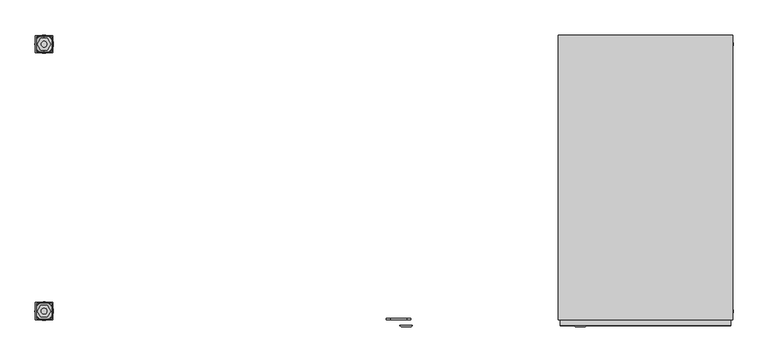
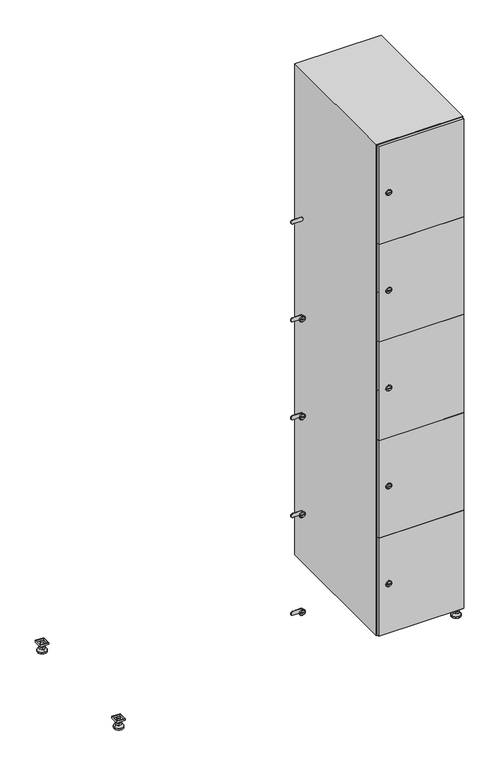
"""IFC4 building model written with IfcOpenShell, lengths in millimetres: furniture geometry."""

from ifc_helpers import new_model, si_unit, point, frame, frame_2d, origin, origin_with_axes, place, context, project, spatial, polyline, circle_curve, trimmed, segment, composite_curve, outline, extrude, faceted_brep, source, transform, mapped, element, save
from ifc_brep_helpers import plane_surface, revolved_surface, advanced_brep


def furniture_93017f4d(model_context):
    return source(origin(), model_context, "Body", "SolidModel", [
        extrude(outline(polyline([(1000.0, 245.0), (1000.0, 215.0), (970.0, 215.0), (970.0, 245.0), (1000.0, 245.0)]), holes=[polyline([(998.0, 243.0), (972.0, 243.0), (972.0, 217.0), (998.0, 217.0), (998.0, 243.0)])]), frame((0.0, 0.0, 28.5), z_axis=(0.0, 0.0, 1.0), x_axis=(1.0, 0.0, 0.0)), (0.0, 0.0, 1.0), 6.5),
        extrude(outline(polyline([(970.0, -245.0), (970.0, -215.0), (1000.0, -215.0), (1000.0, -245.0), (970.0, -245.0)]), holes=[polyline([(972.0, -243.0), (998.0, -243.0), (998.0, -217.0), (972.0, -217.0), (972.0, -243.0)])]), frame((0.0, 0.0, 28.5), z_axis=(0.0, 0.0, 1.0), x_axis=(1.0, 0.0, 0.0)), (0.0, 0.0, 1.0), 6.5),
        extrude(outline(polyline([(-170.0, 245.0), (-170.0, 215.0), (-200.0, 215.0), (-200.0, 245.0), (-170.0, 245.0)]), holes=[polyline([(-172.0, 243.0), (-198.0, 243.0), (-198.0, 217.0), (-172.0, 217.0), (-172.0, 243.0)])]), frame((0.0, 0.0, 28.5), z_axis=(0.0, 0.0, 1.0), x_axis=(1.0, 0.0, 0.0)), (0.0, 0.0, 1.0), 6.5),
        extrude(outline(polyline([(-170.0, -215.0), (-170.0, -245.0), (-200.0, -245.0), (-200.0, -215.0), (-170.0, -215.0)]), holes=[polyline([(-198.0, -243.0), (-172.0, -243.0), (-172.0, -217.0), (-198.0, -217.0), (-198.0, -243.0)])]), frame((0.0, 0.0, 28.5), z_axis=(0.0, 0.0, 1.0), x_axis=(1.0, 0.0, 0.0)), (0.0, 0.0, 1.0), 6.5),
        extrude(outline(composite_curve([segment(trimmed(circle_curve(frame_2d((-185.0, 230.0)), 5.0), [point((-180.0, 230.0))], [point((-190.0, 230.0))], False, "CARTESIAN"), True, "CONTINUOUS"), segment(trimmed(circle_curve(frame_2d((-185.0, 230.0)), 5.0), [point((-190.0, 230.0))], [point((-180.0, 230.0))], False, "CARTESIAN"), True, "CONTINUOUS")], self_intersect=False)), frame((0.0, 0.0, 19.6), z_axis=(0.0, 0.0, 1.0), x_axis=(1.0, 0.0, 0.0)), (0.0, 0.0, 1.0), 15.4),
        extrude(outline(composite_curve([segment(trimmed(circle_curve(frame_2d((-185.0, -230.0)), 5.0), [point((-180.0, -230.0))], [point((-190.0, -230.0))], False, "CARTESIAN"), True, "CONTINUOUS"), segment(trimmed(circle_curve(frame_2d((-185.0, -230.0)), 5.0), [point((-190.0, -230.0))], [point((-180.0, -230.0))], False, "CARTESIAN"), True, "CONTINUOUS")], self_intersect=False)), frame((0.0, 0.0, 19.6), z_axis=(0.0, 0.0, 1.0), x_axis=(1.0, 0.0, 0.0)), (0.0, 0.0, 1.0), 15.4),
        extrude(outline(composite_curve([segment(trimmed(circle_curve(frame_2d((985.0, 230.0)), 5.0), [point((990.0, 230.0))], [point((980.0, 230.0))], False, "CARTESIAN"), True, "CONTINUOUS"), segment(trimmed(circle_curve(frame_2d((985.0, 230.0)), 5.0), [point((980.0, 230.0))], [point((990.0, 230.0))], False, "CARTESIAN"), True, "CONTINUOUS")], self_intersect=False)), frame((0.0, 0.0, 19.6), z_axis=(0.0, 0.0, 1.0), x_axis=(1.0, 0.0, 0.0)), (0.0, 0.0, 1.0), 15.4),
        extrude(outline(polyline([(973.4529946, 230.0), (979.2264973, 240.0), (990.7735027, 240.0), (996.5470054, 230.0), (990.7735027, 220.0), (979.2264973, 220.0), (973.4529946, 230.0)])), frame((0.0, 0.0, 13.6), z_axis=(0.0, 0.0, 1.0), x_axis=(1.0, 0.0, 0.0)), (0.0, 0.0, 1.0), 6.0),
        extrude(outline(composite_curve([segment(trimmed(circle_curve(frame_2d((985.0, -230.0)), 5.0), [point((990.0, -230.0))], [point((980.0, -230.0))], False, "CARTESIAN"), True, "CONTINUOUS"), segment(trimmed(circle_curve(frame_2d((985.0, -230.0)), 5.0), [point((980.0, -230.0))], [point((990.0, -230.0))], False, "CARTESIAN"), True, "CONTINUOUS")], self_intersect=False)), frame((0.0, 0.0, 19.6), z_axis=(0.0, 0.0, 1.0), x_axis=(1.0, 0.0, 0.0)), (0.0, 0.0, 1.0), 15.4),
        extrude(outline(polyline([(973.4529946, -230.0), (979.2264973, -220.0), (990.7735027, -220.0), (996.5470054, -230.0), (990.7735027, -240.0), (979.2264973, -240.0), (973.4529946, -230.0)])), frame((0.0, 0.0, 13.6), z_axis=(0.0, 0.0, 1.0), x_axis=(1.0, 0.0, 0.0)), (0.0, 0.0, 1.0), 6.0),
        extrude(outline(composite_curve([segment(trimmed(circle_curve(frame_2d((985.0, 230.0)), 5.0), [point((990.0, 230.0))], [point((980.0, 230.0))], False, "CARTESIAN"), True, "CONTINUOUS"), segment(trimmed(circle_curve(frame_2d((985.0, 230.0)), 5.0), [point((980.0, 230.0))], [point((990.0, 230.0))], False, "CARTESIAN"), True, "CONTINUOUS")], self_intersect=False)), frame((0.0, 0.0, 12.1), z_axis=(0.0, 0.0, 1.0), x_axis=(1.0, 0.0, 0.0)), (0.0, 0.0, 1.0), 1.5),
        extrude(outline(composite_curve([segment(trimmed(circle_curve(frame_2d((985.0, -230.0)), 5.0), [point((990.0, -230.0))], [point((980.0, -230.0))], False, "CARTESIAN"), True, "CONTINUOUS"), segment(trimmed(circle_curve(frame_2d((985.0, -230.0)), 5.0), [point((980.0, -230.0))], [point((990.0, -230.0))], False, "CARTESIAN"), True, "CONTINUOUS")], self_intersect=False)), frame((0.0, 0.0, 12.1), z_axis=(0.0, 0.0, 1.0), x_axis=(1.0, 0.0, 0.0)), (0.0, 0.0, 1.0), 1.5),
        extrude(outline(polyline([(-196.5470054, 230.0), (-190.7735027, 240.0), (-179.2264973, 240.0), (-173.4529946, 230.0), (-179.2264973, 220.0), (-190.7735027, 220.0), (-196.5470054, 230.0)])), frame((0.0, 0.0, 13.6), z_axis=(0.0, 0.0, 1.0), x_axis=(1.0, 0.0, 0.0)), (0.0, 0.0, 1.0), 6.0),
        extrude(outline(polyline([(-196.5470054, -230.0), (-190.7735027, -220.0), (-179.2264973, -220.0), (-173.4529946, -230.0), (-179.2264973, -240.0), (-190.7735027, -240.0), (-196.5470054, -230.0)])), frame((0.0, 0.0, 13.6), z_axis=(0.0, 0.0, 1.0), x_axis=(1.0, 0.0, 0.0)), (0.0, 0.0, 1.0), 6.0),
        extrude(outline(composite_curve([segment(trimmed(circle_curve(frame_2d((-185.0, 230.0)), 5.0), [point((-185.0, 235.0))], [point((-185.0, 225.0))], False, "CARTESIAN"), True, "CONTINUOUS"), segment(trimmed(circle_curve(frame_2d((-185.0, 230.0)), 5.0), [point((-185.0, 225.0))], [point((-185.0, 235.0))], False, "CARTESIAN"), True, "CONTINUOUS")], self_intersect=False)), frame((0.0, 0.0, 12.1), z_axis=(0.0, 0.0, 1.0), x_axis=(1.0, 0.0, 0.0)), (0.0, 0.0, 1.0), 1.5),
        extrude(outline(composite_curve([segment(trimmed(circle_curve(frame_2d((-185.0, -230.0)), 5.0), [point((-180.0, -230.0))], [point((-190.0, -230.0))], False, "CARTESIAN"), True, "CONTINUOUS"), segment(trimmed(circle_curve(frame_2d((-185.0, -230.0)), 5.0), [point((-190.0, -230.0))], [point((-180.0, -230.0))], False, "CARTESIAN"), True, "CONTINUOUS")], self_intersect=False)), frame((0.0, 0.0, 12.1), z_axis=(0.0, 0.0, 1.0), x_axis=(1.0, 0.0, 0.0)), (0.0, 0.0, 1.0), 1.5),
        extrude(outline(composite_curve([segment(trimmed(circle_curve(frame_2d((985.0, 230.0)), 15.75), [point((1000.75, 230.0))], [point((969.25, 230.0))], False, "CARTESIAN"), True, "CONTINUOUS"), segment(trimmed(circle_curve(frame_2d((985.0, 230.0)), 15.75), [point((969.25, 230.0))], [point((1000.75, 230.0))], False, "CARTESIAN"), True, "CONTINUOUS")], self_intersect=False)), origin_with_axes(), (0.0, 0.0, 1.0), 5.1),
        extrude(outline(composite_curve([segment(trimmed(circle_curve(frame_2d((985.0, -230.0)), 15.75), [point((985.0, -214.25))], [point((985.0, -245.75))], False, "CARTESIAN"), True, "CONTINUOUS"), segment(trimmed(circle_curve(frame_2d((985.0, -230.0)), 15.75), [point((985.0, -245.75))], [point((985.0, -214.25))], False, "CARTESIAN"), True, "CONTINUOUS")], self_intersect=False)), origin_with_axes(), (0.0, 0.0, 1.0), 5.1),
        extrude(outline(composite_curve([segment(trimmed(circle_curve(frame_2d((-185.0, -230.0)), 15.75), [point((-169.25, -230.0))], [point((-200.75, -230.0))], False, "CARTESIAN"), True, "CONTINUOUS"), segment(trimmed(circle_curve(frame_2d((-185.0, -230.0)), 15.75), [point((-200.75, -230.0))], [point((-169.25, -230.0))], False, "CARTESIAN"), True, "CONTINUOUS")], self_intersect=False)), origin_with_axes(), (0.0, 0.0, 1.0), 5.1),
        extrude(outline(composite_curve([segment(trimmed(circle_curve(frame_2d((-185.0, 230.0)), 15.75), [point((-169.25, 230.0))], [point((-200.75, 230.0))], False, "CARTESIAN"), True, "CONTINUOUS"), segment(trimmed(circle_curve(frame_2d((-185.0, 230.0)), 15.75), [point((-200.75, 230.0))], [point((-169.25, 230.0))], False, "CARTESIAN"), True, "CONTINUOUS")], self_intersect=False)), origin_with_axes(), (0.0, 0.0, 1.0), 5.1),
        advanced_brep(
        [(-185.0, 239.5, 12.1), (-185.0, 220.5, 12.1), (-185.0, 214.25, 5.1), (-185.0, 245.75, 5.1)],
        [
            (0, 1, circle_curve(frame((-185.0, 230.0, 12.1), z_axis=(0.0, 0.0, -1.0), x_axis=(0.0, 1.0, 0.0)), 9.5)),
            (1, 2),
            (2, 3, circle_curve(frame((-185.0, 230.0, 5.1), z_axis=(0.0, 0.0, 1.0), x_axis=(0.0, 1.0, 0.0)), 15.75)),
            (3, 0),
            (1, 0, circle_curve(frame((-185.0, 230.0, 12.1), z_axis=(0.0, 0.0, -1.0), x_axis=(0.0, -1.0, 0.0)), 9.5)),
            (3, 2, circle_curve(frame((-185.0, 230.0, 5.1), z_axis=(0.0, 0.0, 1.0), x_axis=(0.0, -1.0, 0.0)), 15.75)),
        ],
        [
            revolved_surface(polyline([(-185.0, 220.5, 12.099999999999998), (-185.0, 214.25, 5.099999999999998)]), (-185.0, 230.0, 22.74), (0.0, 0.0, -1.0)),
            revolved_surface(polyline([(-185.0, 239.5, 12.099999999999998), (-185.0, 245.75, 5.099999999999998)]), (-185.0, 230.0, 22.74), (0.0, 0.0, -1.0)),
            plane_surface(frame((-185.0, 230.0, 5.1), z_axis=(0.0, 0.0, -1.0), x_axis=(1.0, 0.0, 0.0))),
            plane_surface(frame((-185.0, 230.0, 12.1), z_axis=(0.0, 0.0, 1.0), x_axis=(1.0, 0.0, 0.0))),
        ],
        [
            (0, [[1, 2, 3, 4]]),
            (1, [[5, -4, 6, -2]]),
            (2, [[-3, -6]]),
            (3, [[-5, -1]]),
        ],
    ),
        advanced_brep(
        [(985.0, 239.5, 12.1), (985.0, 220.5, 12.1), (985.0, 214.25, 5.1), (985.0, 245.75, 5.1)],
        [
            (0, 1, circle_curve(frame((985.0, 230.0, 12.1), z_axis=(0.0, 0.0, -1.0), x_axis=(0.0, 1.0, 0.0)), 9.5)),
            (1, 2),
            (2, 3, circle_curve(frame((985.0, 230.0, 5.1), z_axis=(0.0, 0.0, 1.0), x_axis=(0.0, 1.0, 0.0)), 15.75)),
            (3, 0),
            (1, 0, circle_curve(frame((985.0, 230.0, 12.1), z_axis=(0.0, 0.0, -1.0), x_axis=(0.0, -1.0, 0.0)), 9.5)),
            (3, 2, circle_curve(frame((985.0, 230.0, 5.1), z_axis=(0.0, 0.0, 1.0), x_axis=(0.0, -1.0, 0.0)), 15.75)),
        ],
        [
            revolved_surface(polyline([(985.0, 220.5, 12.099999999999998), (985.0, 214.25, 5.099999999999998)]), (985.0, 230.0, 22.74), (0.0, 0.0, -1.0)),
            revolved_surface(polyline([(985.0, 239.5, 12.099999999999998), (985.0, 245.75, 5.099999999999998)]), (985.0, 230.0, 22.74), (0.0, 0.0, -1.0)),
            plane_surface(frame((985.0, 230.0, 5.1), z_axis=(0.0, 0.0, -1.0), x_axis=(1.0, 0.0, 0.0))),
            plane_surface(frame((985.0, 230.0, 12.1), z_axis=(0.0, 0.0, 1.0), x_axis=(1.0, 0.0, 0.0))),
        ],
        [
            (0, [[1, 2, 3, 4]]),
            (1, [[5, -4, 6, -2]]),
            (2, [[-3, -6]]),
            (3, [[-5, -1]]),
        ],
    ),
        advanced_brep(
        [(1000.75, -230.0, 5.1), (969.25, -230.0, 5.1), (975.5, -230.0, 12.1), (994.5, -230.0, 12.1)],
        [
            (0, 1, circle_curve(frame((985.0, -230.0, 5.1), z_axis=(0.0, 0.0, 1.0), x_axis=(1.0, 0.0, 0.0)), 15.75)),
            (1, 2),
            (2, 3, circle_curve(frame((985.0, -230.0, 12.1), z_axis=(0.0, 0.0, -1.0), x_axis=(1.0, 0.0, 0.0)), 9.5)),
            (3, 0),
            (1, 0, circle_curve(frame((985.0, -230.0, 5.1), z_axis=(0.0, 0.0, 1.0), x_axis=(-1.0, 0.0, 0.0)), 15.75)),
            (3, 2, circle_curve(frame((985.0, -230.0, 12.1), z_axis=(0.0, 0.0, -1.0), x_axis=(-1.0, 0.0, 0.0)), 9.5)),
        ],
        [
            revolved_surface(polyline([(994.5, -230.0, 12.099999999999998), (1000.75, -230.0, 5.099999999999998)]), (985.0, -230.0, 22.74), (0.0, 0.0, -1.0)),
            revolved_surface(polyline([(975.5, -230.0, 12.099999999999998), (969.25, -230.0, 5.099999999999998)]), (985.0, -230.0, 22.74), (0.0, 0.0, -1.0)),
            plane_surface(frame((985.0, -230.0, 12.1), z_axis=(0.0, 0.0, 1.0), x_axis=(0.0, 1.0, 0.0))),
            plane_surface(frame((985.0, -230.0, 5.1), z_axis=(0.0, 0.0, -1.0), x_axis=(0.0, 1.0, 0.0))),
        ],
        [
            (0, [[1, 2, 3, 4]]),
            (1, [[5, -4, 6, -2]]),
            (2, [[-3, -6]]),
            (3, [[-5, -1]]),
        ],
    ),
        advanced_brep(
        [(-169.25, -230.0, 5.1), (-200.75, -230.0, 5.1), (-194.5, -230.0, 12.1), (-175.5, -230.0, 12.1)],
        [
            (0, 1, circle_curve(frame((-185.0, -230.0, 5.1), z_axis=(0.0, 0.0, 1.0), x_axis=(1.0, 0.0, 0.0)), 15.75)),
            (1, 2),
            (2, 3, circle_curve(frame((-185.0, -230.0, 12.1), z_axis=(0.0, 0.0, -1.0), x_axis=(1.0, 0.0, 0.0)), 9.5)),
            (3, 0),
            (1, 0, circle_curve(frame((-185.0, -230.0, 5.1), z_axis=(0.0, 0.0, 1.0), x_axis=(-1.0, 0.0, 0.0)), 15.75)),
            (3, 2, circle_curve(frame((-185.0, -230.0, 12.1), z_axis=(0.0, 0.0, -1.0), x_axis=(-1.0, 0.0, 0.0)), 9.5)),
        ],
        [
            revolved_surface(polyline([(-175.5, -230.0, 12.099999999999998), (-169.25, -230.0, 5.099999999999998)]), (-185.0, -230.0, 22.74), (0.0, 0.0, -1.0)),
            revolved_surface(polyline([(-194.5, -230.0, 12.099999999999998), (-200.75, -230.0, 5.099999999999998)]), (-185.0, -230.0, 22.74), (0.0, 0.0, -1.0)),
            plane_surface(frame((-185.0, -230.0, 12.1), z_axis=(0.0, 0.0, 1.0), x_axis=(0.0, 1.0, 0.0))),
            plane_surface(frame((-185.0, -230.0, 5.1), z_axis=(0.0, 0.0, -1.0), x_axis=(0.0, 1.0, 0.0))),
        ],
        [
            (0, [[1, 2, 3, 4]]),
            (1, [[5, -4, 6, -2]]),
            (2, [[-3, -6]]),
            (3, [[-5, -1]]),
        ],
    ),
        extrude(outline(composite_curve([segment(trimmed(circle_curve(frame_2d((217.4, 711.2010534)), 7.0), [point((224.4, 711.2010534))], [point((210.4, 711.2010534))], False, "CARTESIAN"), True, "CONTINUOUS"), segment(polyline([(210.4, 711.2010534), (210.4, 739.2010534)]), True, "CONTINUOUS"), segment(trimmed(circle_curve(frame_2d((217.4, 739.2010534)), 7.0), [point((210.4, 739.2010534))], [point((224.4, 739.2010534))], False, "CARTESIAN"), True, "CONTINUOUS"), segment(polyline([(224.4, 739.2010534), (224.4, 711.2010534)]), True, "CONTINUOUS")], self_intersect=False)), frame((0.0, -245.0, 0.0), z_axis=(0.0, 1.0, 0.0), x_axis=(0.0, 0.0, 1.0)), (0.0, 0.0, 1.0), 2.0),
        advanced_brep(
        [(746.5, -257.2, 217.4), (729.5, -257.2, 217.4), (733.0, -257.2, 216.15), (733.0, -257.2, 218.65), (743.0, -257.2, 218.65), (743.0, -257.2, 216.15), (748.5, -255.0, 217.4), (727.5, -255.0, 217.4), (733.0, -255.0, 218.65), (733.0, -255.0, 216.15), (743.0, -255.0, 216.15), (743.0, -255.0, 218.65)],
        [
            (0, 1, circle_curve(frame((738.0, -257.2, 217.4), z_axis=(0.0, -1.0, 0.0), x_axis=(1.0, 0.0, 0.0)), 8.5)),
            (1, 0, circle_curve(frame((738.0, -257.2, 217.4), z_axis=(0.0, -1.0, 0.0), x_axis=(-1.0, 0.0, 0.0)), 8.5)),
            (2, 3),
            (3, 4),
            (4, 5),
            (5, 2),
            (6, 7, circle_curve(frame((738.0, -255.0, 217.4), z_axis=(0.0, 1.0, 0.0), x_axis=(-1.0, 0.0, 0.0)), 10.5)),
            (7, 6, circle_curve(frame((738.0, -255.0, 217.4), z_axis=(0.0, 1.0, 0.0), x_axis=(1.0, 0.0, 0.0)), 10.5)),
            (8, 9),
            (9, 10),
            (10, 11),
            (11, 8),
            (0, 6),
            (7, 1),
            (8, 3),
            (2, 9),
            (11, 4),
            (10, 5),
        ],
        [
            plane_surface(frame((738.0, -257.2, 217.4), z_axis=(0.0, -1.0, 0.0), x_axis=(0.0, 0.0, 1.0))),
            plane_surface(frame((738.0, -255.0, 217.4), z_axis=(0.0, 1.0, 0.0), x_axis=(0.0, 0.0, 1.0))),
            revolved_surface(polyline([(746.5, -257.2, 217.4), (748.5, -255.0, 217.4)]), (738.0, -266.55, 217.4), (0.0, 1.0, 0.0)),
            revolved_surface(polyline([(729.5, -257.2, 217.4), (727.5, -255.0, 217.4)]), (738.0, -266.55, 217.4), (0.0, 1.0, 0.0)),
            plane_surface(frame((733.0, -255.0, 216.15), z_axis=(1.0, 0.0, 0.0), x_axis=(0.0, -1.0, 0.0))),
            plane_surface(frame((733.0, -255.0, 218.65), z_axis=(0.0, 0.0, -1.0), x_axis=(0.0, -1.0, 0.0))),
            plane_surface(frame((743.0, -255.0, 218.65), z_axis=(-1.0, 0.0, 0.0), x_axis=(0.0, -1.0, 0.0))),
            plane_surface(frame((743.0, -255.0, 216.15), z_axis=(0.0, 0.0, 1.0), x_axis=(0.0, -1.0, 0.0))),
        ],
        [
            (0, [[1, 2], [3, 4, 5, 6]]),
            (1, [[7, 8], [9, 10, 11, 12]]),
            (2, [[-1, 13, -8, 14]]),
            (3, [[-2, -14, -7, -13]]),
            (4, [[15, -3, 16, -9]]),
            (5, [[-15, -12, 17, -4]]),
            (6, [[-17, -11, 18, -5]]),
            (7, [[-16, -6, -18, -10]]),
        ],
    ),
        extrude(outline(composite_curve([segment(trimmed(circle_curve(frame_2d((576.2, 711.2010534)), 7.0), [point((583.2, 711.2010534))], [point((569.2, 711.2010534))], False, "CARTESIAN"), True, "CONTINUOUS"), segment(polyline([(569.2, 711.2010534), (569.2, 739.2010534)]), True, "CONTINUOUS"), segment(trimmed(circle_curve(frame_2d((576.2, 739.2010534)), 7.0), [point((569.2, 739.2010534))], [point((583.2, 739.2010534))], False, "CARTESIAN"), True, "CONTINUOUS"), segment(polyline([(583.2, 739.2010534), (583.2, 711.2010534)]), True, "CONTINUOUS")], self_intersect=False)), frame((0.0, -245.0, 0.0), z_axis=(0.0, 1.0, 0.0), x_axis=(0.0, 0.0, 1.0)), (0.0, 0.0, 1.0), 2.0),
        advanced_brep(
        [(746.5, -257.2, 576.2), (729.5, -257.2, 576.2), (733.0, -257.2, 574.95), (733.0, -257.2, 577.45), (743.0, -257.2, 577.45), (743.0, -257.2, 574.95), (748.5, -255.0, 576.2), (727.5, -255.0, 576.2), (733.0, -255.0, 577.45), (733.0, -255.0, 574.95), (743.0, -255.0, 574.95), (743.0, -255.0, 577.45)],
        [
            (0, 1, circle_curve(frame((738.0, -257.2, 576.2), z_axis=(0.0, -1.0, 0.0), x_axis=(1.0, 0.0, 0.0)), 8.5)),
            (1, 0, circle_curve(frame((738.0, -257.2, 576.2), z_axis=(0.0, -1.0, 0.0), x_axis=(-1.0, 0.0, 0.0)), 8.5)),
            (2, 3),
            (3, 4),
            (4, 5),
            (5, 2),
            (6, 7, circle_curve(frame((738.0, -255.0, 576.2), z_axis=(0.0, 1.0, 0.0), x_axis=(-1.0, 0.0, 0.0)), 10.5)),
            (7, 6, circle_curve(frame((738.0, -255.0, 576.2), z_axis=(0.0, 1.0, 0.0), x_axis=(1.0, 0.0, 0.0)), 10.5)),
            (8, 9),
            (9, 10),
            (10, 11),
            (11, 8),
            (0, 6),
            (7, 1),
            (8, 3),
            (2, 9),
            (11, 4),
            (10, 5),
        ],
        [
            plane_surface(frame((738.0, -257.2, 576.2), z_axis=(0.0, -1.0, 0.0), x_axis=(0.0, 0.0, 1.0))),
            plane_surface(frame((738.0, -255.0, 576.2), z_axis=(0.0, 1.0, 0.0), x_axis=(0.0, 0.0, 1.0))),
            revolved_surface(polyline([(746.5, -257.2, 576.2), (748.5, -255.0, 576.2)]), (738.0, -266.55, 576.2), (0.0, 1.0, 0.0)),
            revolved_surface(polyline([(729.5, -257.2, 576.2), (727.5, -255.0, 576.2)]), (738.0, -266.55, 576.2), (0.0, 1.0, 0.0)),
            plane_surface(frame((733.0, -255.0, 574.95), z_axis=(1.0, 0.0, 0.0), x_axis=(0.0, -1.0, 0.0))),
            plane_surface(frame((733.0, -255.0, 577.45), z_axis=(0.0, 0.0, -1.0), x_axis=(0.0, -1.0, 0.0))),
            plane_surface(frame((743.0, -255.0, 577.45), z_axis=(-1.0, 0.0, 0.0), x_axis=(0.0, -1.0, 0.0))),
            plane_surface(frame((743.0, -255.0, 574.95), z_axis=(0.0, 0.0, 1.0), x_axis=(0.0, -1.0, 0.0))),
        ],
        [
            (0, [[1, 2], [3, 4, 5, 6]]),
            (1, [[7, 8], [9, 10, 11, 12]]),
            (2, [[-1, 13, -8, 14]]),
            (3, [[-2, -14, -7, -13]]),
            (4, [[15, -3, 16, -9]]),
            (5, [[-15, -12, 17, -4]]),
            (6, [[-17, -11, 18, -5]]),
            (7, [[-16, -6, -18, -10]]),
        ],
    ),
        extrude(outline(composite_curve([segment(trimmed(circle_curve(frame_2d((935.0, 711.2010534)), 7.0), [point((942.0, 711.2010534))], [point((928.0, 711.2010534))], False, "CARTESIAN"), True, "CONTINUOUS"), segment(polyline([(928.0, 711.2010534), (928.0, 739.2010534)]), True, "CONTINUOUS"), segment(trimmed(circle_curve(frame_2d((935.0, 739.2010534)), 7.0), [point((928.0, 739.2010534))], [point((942.0, 739.2010534))], False, "CARTESIAN"), True, "CONTINUOUS"), segment(polyline([(942.0, 739.2010534), (942.0, 711.2010534)]), True, "CONTINUOUS")], self_intersect=False)), frame((0.0, -245.0, 0.0), z_axis=(0.0, 1.0, 0.0), x_axis=(0.0, 0.0, 1.0)), (0.0, 0.0, 1.0), 2.0),
        advanced_brep(
        [(746.5, -257.2, 935.0), (729.5, -257.2, 935.0), (733.0, -257.2, 933.75), (733.0, -257.2, 936.25), (743.0, -257.2, 936.25), (743.0, -257.2, 933.75), (748.5, -255.0, 935.0), (727.5, -255.0, 935.0), (733.0, -255.0, 936.25), (733.0, -255.0, 933.75), (743.0, -255.0, 933.75), (743.0, -255.0, 936.25)],
        [
            (0, 1, circle_curve(frame((738.0, -257.2, 935.0), z_axis=(0.0, -1.0, 0.0), x_axis=(1.0, 0.0, 0.0)), 8.5)),
            (1, 0, circle_curve(frame((738.0, -257.2, 935.0), z_axis=(0.0, -1.0, 0.0), x_axis=(-1.0, 0.0, 0.0)), 8.5)),
            (2, 3),
            (3, 4),
            (4, 5),
            (5, 2),
            (6, 7, circle_curve(frame((738.0, -255.0, 935.0), z_axis=(0.0, 1.0, 0.0), x_axis=(-1.0, 0.0, 0.0)), 10.5)),
            (7, 6, circle_curve(frame((738.0, -255.0, 935.0), z_axis=(0.0, 1.0, 0.0), x_axis=(1.0, 0.0, 0.0)), 10.5)),
            (8, 9),
            (9, 10),
            (10, 11),
            (11, 8),
            (0, 6),
            (7, 1),
            (8, 3),
            (2, 9),
            (11, 4),
            (10, 5),
        ],
        [
            plane_surface(frame((738.0, -257.2, 935.0), z_axis=(0.0, -1.0, 0.0), x_axis=(0.0, 0.0, 1.0))),
            plane_surface(frame((738.0, -255.0, 935.0), z_axis=(0.0, 1.0, 0.0), x_axis=(0.0, 0.0, 1.0))),
            revolved_surface(polyline([(746.5, -257.2, 935.0), (748.5, -255.0, 935.0)]), (738.0, -266.55, 935.0), (0.0, 1.0, 0.0)),
            revolved_surface(polyline([(729.5, -257.2, 935.0), (727.5, -255.0, 935.0)]), (738.0, -266.55, 935.0), (0.0, 1.0, 0.0)),
            plane_surface(frame((733.0, -255.0, 933.75), z_axis=(1.0, 0.0, 0.0), x_axis=(0.0, -1.0, 0.0))),
            plane_surface(frame((733.0, -255.0, 936.25), z_axis=(0.0, 0.0, -1.0), x_axis=(0.0, -1.0, 0.0))),
            plane_surface(frame((743.0, -255.0, 936.25), z_axis=(-1.0, 0.0, 0.0), x_axis=(0.0, -1.0, 0.0))),
            plane_surface(frame((743.0, -255.0, 933.75), z_axis=(0.0, 0.0, 1.0), x_axis=(0.0, -1.0, 0.0))),
        ],
        [
            (0, [[1, 2], [3, 4, 5, 6]]),
            (1, [[7, 8], [9, 10, 11, 12]]),
            (2, [[-1, 13, -8, 14]]),
            (3, [[-2, -14, -7, -13]]),
            (4, [[15, -3, 16, -9]]),
            (5, [[-15, -12, 17, -4]]),
            (6, [[-17, -11, 18, -5]]),
            (7, [[-16, -6, -18, -10]]),
        ],
    ),
        extrude(outline(composite_curve([segment(trimmed(circle_curve(frame_2d((1293.8, 711.2010534)), 7.0), [point((1300.8, 711.2010534))], [point((1286.8, 711.2010534))], False, "CARTESIAN"), True, "CONTINUOUS"), segment(polyline([(1286.8, 711.2010534), (1286.8, 739.2010534)]), True, "CONTINUOUS"), segment(trimmed(circle_curve(frame_2d((1293.8, 739.2010534)), 7.0), [point((1286.8, 739.2010534))], [point((1300.8, 739.2010534))], False, "CARTESIAN"), True, "CONTINUOUS"), segment(polyline([(1300.8, 739.2010534), (1300.8, 711.2010534)]), True, "CONTINUOUS")], self_intersect=False)), frame((0.0, -245.0, 0.0), z_axis=(0.0, 1.0, 0.0), x_axis=(0.0, 0.0, 1.0)), (0.0, 0.0, 1.0), 2.0),
        advanced_brep(
        [(746.5, -257.2, 1293.8), (729.5, -257.2, 1293.8), (733.0, -257.2, 1292.55), (733.0, -257.2, 1295.05), (743.0, -257.2, 1295.05), (743.0, -257.2, 1292.55), (748.5, -255.0, 1293.8), (727.5, -255.0, 1293.8), (733.0, -255.0, 1295.05), (733.0, -255.0, 1292.55), (743.0, -255.0, 1292.55), (743.0, -255.0, 1295.05)],
        [
            (0, 1, circle_curve(frame((738.0, -257.2, 1293.8), z_axis=(0.0, -1.0, 0.0), x_axis=(1.0, 0.0, 0.0)), 8.5)),
            (1, 0, circle_curve(frame((738.0, -257.2, 1293.8), z_axis=(0.0, -1.0, 0.0), x_axis=(-1.0, 0.0, 0.0)), 8.5)),
            (2, 3),
            (3, 4),
            (4, 5),
            (5, 2),
            (6, 7, circle_curve(frame((738.0, -255.0, 1293.8), z_axis=(0.0, 1.0, 0.0), x_axis=(-1.0, 0.0, 0.0)), 10.5)),
            (7, 6, circle_curve(frame((738.0, -255.0, 1293.8), z_axis=(0.0, 1.0, 0.0), x_axis=(1.0, 0.0, 0.0)), 10.5)),
            (8, 9),
            (9, 10),
            (10, 11),
            (11, 8),
            (0, 6),
            (7, 1),
            (8, 3),
            (2, 9),
            (11, 4),
            (10, 5),
        ],
        [
            plane_surface(frame((738.0, -257.2, 1293.8), z_axis=(0.0, -1.0, 0.0), x_axis=(0.0, 0.0, 1.0))),
            plane_surface(frame((738.0, -255.0, 1293.8), z_axis=(0.0, 1.0, 0.0), x_axis=(0.0, 0.0, 1.0))),
            revolved_surface(polyline([(746.5, -257.2, 1293.8), (748.5, -255.0, 1293.8)]), (738.0, -266.55, 1293.8), (0.0, 1.0, 0.0)),
            revolved_surface(polyline([(729.5, -257.2, 1293.8), (727.5, -255.0, 1293.8)]), (738.0, -266.55, 1293.8), (0.0, 1.0, 0.0)),
            plane_surface(frame((733.0, -255.0, 1292.55), z_axis=(1.0, 0.0, 0.0), x_axis=(0.0, -1.0, 0.0))),
            plane_surface(frame((733.0, -255.0, 1295.05), z_axis=(0.0, 0.0, -1.0), x_axis=(0.0, -1.0, 0.0))),
            plane_surface(frame((743.0, -255.0, 1295.05), z_axis=(-1.0, 0.0, 0.0), x_axis=(0.0, -1.0, 0.0))),
            plane_surface(frame((743.0, -255.0, 1292.55), z_axis=(0.0, 0.0, 1.0), x_axis=(0.0, -1.0, 0.0))),
        ],
        [
            (0, [[1, 2], [3, 4, 5, 6]]),
            (1, [[7, 8], [9, 10, 11, 12]]),
            (2, [[-1, 13, -8, 14]]),
            (3, [[-2, -14, -7, -13]]),
            (4, [[15, -3, 16, -9]]),
            (5, [[-15, -12, 17, -4]]),
            (6, [[-17, -11, 18, -5]]),
            (7, [[-16, -6, -18, -10]]),
        ],
    ),
        extrude(outline(composite_curve([segment(trimmed(circle_curve(frame_2d((1652.6, 711.2010534)), 7.0), [point((1659.6, 711.2010534))], [point((1645.6, 711.2010534))], False, "CARTESIAN"), True, "CONTINUOUS"), segment(polyline([(1645.6, 711.2010534), (1645.6, 739.2010534)]), True, "CONTINUOUS"), segment(trimmed(circle_curve(frame_2d((1652.6, 739.2010534)), 7.0), [point((1645.6, 739.2010534))], [point((1659.6, 739.2010534))], False, "CARTESIAN"), True, "CONTINUOUS"), segment(polyline([(1659.6, 739.2010534), (1659.6, 711.2010534)]), True, "CONTINUOUS")], self_intersect=False)), frame((0.0, -245.0, 0.0), z_axis=(0.0, 1.0, 0.0), x_axis=(0.0, 0.0, 1.0)), (0.0, 0.0, 1.0), 2.0),
        advanced_brep(
        [(746.5, -257.2, 1652.6), (729.5, -257.2, 1652.6), (733.0, -257.2, 1651.35), (733.0, -257.2, 1653.85), (743.0, -257.2, 1653.85), (743.0, -257.2, 1651.35), (748.5, -255.0, 1652.6), (727.5, -255.0, 1652.6), (733.0, -255.0, 1653.85), (733.0, -255.0, 1651.35), (743.0, -255.0, 1651.35), (743.0, -255.0, 1653.85)],
        [
            (0, 1, circle_curve(frame((738.0, -257.2, 1652.6), z_axis=(0.0, -1.0, 0.0), x_axis=(1.0, 0.0, 0.0)), 8.5)),
            (1, 0, circle_curve(frame((738.0, -257.2, 1652.6), z_axis=(0.0, -1.0, 0.0), x_axis=(-1.0, 0.0, 0.0)), 8.5)),
            (2, 3),
            (3, 4),
            (4, 5),
            (5, 2),
            (6, 7, circle_curve(frame((738.0, -255.0, 1652.6), z_axis=(0.0, 1.0, 0.0), x_axis=(-1.0, 0.0, 0.0)), 10.5)),
            (7, 6, circle_curve(frame((738.0, -255.0, 1652.6), z_axis=(0.0, 1.0, 0.0), x_axis=(1.0, 0.0, 0.0)), 10.5)),
            (8, 9),
            (9, 10),
            (10, 11),
            (11, 8),
            (0, 6),
            (7, 1),
            (8, 3),
            (2, 9),
            (11, 4),
            (10, 5),
        ],
        [
            plane_surface(frame((738.0, -257.2, 1652.6), z_axis=(0.0, -1.0, 0.0), x_axis=(0.0, 0.0, 1.0))),
            plane_surface(frame((738.0, -255.0, 1652.6), z_axis=(0.0, 1.0, 0.0), x_axis=(0.0, 0.0, 1.0))),
            revolved_surface(polyline([(746.5, -257.2, 1652.6), (748.5, -255.0, 1652.6)]), (738.0, -266.55, 1652.6), (0.0, 1.0, 0.0)),
            revolved_surface(polyline([(729.5, -257.2, 1652.6), (727.5, -255.0, 1652.6)]), (738.0, -266.55, 1652.6), (0.0, 1.0, 0.0)),
            plane_surface(frame((733.0, -255.0, 1651.35), z_axis=(1.0, 0.0, 0.0), x_axis=(0.0, -1.0, 0.0))),
            plane_surface(frame((733.0, -255.0, 1653.85), z_axis=(0.0, 0.0, -1.0), x_axis=(0.0, -1.0, 0.0))),
            plane_surface(frame((743.0, -255.0, 1653.85), z_axis=(-1.0, 0.0, 0.0), x_axis=(0.0, -1.0, 0.0))),
            plane_surface(frame((743.0, -255.0, 1651.35), z_axis=(0.0, 0.0, 1.0), x_axis=(0.0, -1.0, 0.0))),
        ],
        [
            (0, [[1, 2], [3, 4, 5, 6]]),
            (1, [[7, 8], [9, 10, 11, 12]]),
            (2, [[-1, 13, -8, 14]]),
            (3, [[-2, -14, -7, -13]]),
            (4, [[15, -3, 16, -9]]),
            (5, [[-15, -12, 17, -4]]),
            (6, [[-17, -11, 18, -5]]),
            (7, [[-16, -6, -18, -10]]),
        ],
    ),
        extrude(outline(polyline([(997.0, -245.0), (997.0, -255.0), (703.0, -255.0), (703.0, -245.0), (997.0, -245.0)])), frame((0.0, 0.0, 755.1), z_axis=(0.0, 0.0, 1.0), x_axis=(1.0, 0.0, 0.0)), (0.0, 0.0, 1.0), 359.8),
        extrude(outline(polyline([(997.0, -245.0), (997.0, -255.0), (703.0, -255.0), (703.0, -245.0), (997.0, -245.0)])), frame((0.0, 0.0, 396.3), z_axis=(0.0, 0.0, 1.0), x_axis=(1.0, 0.0, 0.0)), (0.0, 0.0, 1.0), 359.8),
        extrude(outline(polyline([(997.0, -245.0), (997.0, -255.0), (703.0, -255.0), (703.0, -245.0), (997.0, -245.0)])), frame((0.0, 0.0, 1113.9), z_axis=(0.0, 0.0, 1.0), x_axis=(1.0, 0.0, 0.0)), (0.0, 0.0, 1.0), 358.8),
        extrude(outline(polyline([(703.0, -255.0), (703.0, -245.0), (997.0, -245.0), (997.0, -255.0), (703.0, -255.0)])), frame((0.0, 0.0, 1473.7), z_axis=(0.0, 0.0, 1.0), x_axis=(1.0, 0.0, 0.0)), (0.0, 0.0, 1.0), 358.3),
        extrude(outline(polyline([(997.0, -245.0), (997.0, -255.0), (703.0, -255.0), (703.0, -245.0), (997.0, -245.0)])), frame((0.0, 0.0, 38.0), z_axis=(0.0, 0.0, 1.0), x_axis=(1.0, 0.0, 0.0)), (0.0, 0.0, 1.0), 359.3),
        extrude(outline(polyline([(979.6, 242.0), (979.6, -235.0), (720.4, -235.0), (720.4, 242.0), (979.6, 242.0)])), frame((0.0, 0.0, 1446.68), z_axis=(0.0, 0.0, 1.0), x_axis=(1.0, 0.0, 0.0)), (0.0, 0.0, 1.0), 20.4),
        extrude(outline(polyline([(979.6, 242.0), (979.6, -235.0), (720.4, -235.0), (720.4, 242.0), (979.6, 242.0)])), frame((0.0, 0.0, 1098.76), z_axis=(0.0, 0.0, 1.0), x_axis=(1.0, 0.0, 0.0)), (0.0, 0.0, 1.0), 20.4),
        extrude(outline(polyline([(979.6, 242.0), (979.6, -235.0), (720.4, -235.0), (720.4, 242.0), (979.6, 242.0)])), frame((0.0, 0.0, 750.84), z_axis=(0.0, 0.0, 1.0), x_axis=(1.0, 0.0, 0.0)), (0.0, 0.0, 1.0), 20.4),
        extrude(outline(polyline([(720.4, 242.0), (979.6, 242.0), (979.6, -235.0), (720.4, -235.0), (720.4, 242.0)])), frame((0.0, 0.0, 402.92), z_axis=(0.0, 0.0, 1.0), x_axis=(1.0, 0.0, 0.0)), (0.0, 0.0, 1.0), 20.4),
        faceted_brep([(1000.0, -245.0, 35.0), (1000.0, -245.0, 1835.0), (700.0, -245.0, 1835.0), (700.0, -245.0, 35.0), (979.6, -245.0, 1804.8), (979.6, -245.0, 65.2), (720.4, -245.0, 65.2), (720.4, -245.0, 1804.8), (1000.0, 245.0, 35.0), (700.0, 245.0, 35.0), (1000.0, 245.0, 1835.0), (700.0, 245.0, 1835.0), (979.6, 242.0, 1804.8), (979.6, 242.0, 65.2), (700.0, 245.0, 1804.8), (720.4, 242.0, 1804.8), (720.4, 242.0, 65.2)], [[[0, 1, 2, 3], [4, 5, 6, 7]], [[8, 0, 3, 9]], [[1, 0, 8, 10]], [[1, 10, 11, 2]], [[4, 12, 13, 5]], [[9, 3, 2, 11, 14]], [[10, 8, 9, 14, 11]], [[12, 15, 16, 13]], [[15, 7, 6, 16]], [[4, 7, 15, 12]], [[6, 5, 13, 16]]]),
        extrude(outline(composite_curve([segment(trimmed(circle_curve(frame_2d((217.4, 411.2010534)), 7.0), [point((224.4, 411.2010534))], [point((210.4, 411.2010534))], False, "CARTESIAN"), True, "CONTINUOUS"), segment(polyline([(210.4, 411.2010534), (210.4, 439.2010534)]), True, "CONTINUOUS"), segment(trimmed(circle_curve(frame_2d((217.4, 439.2010534)), 7.0), [point((210.4, 439.2010534))], [point((224.4, 439.2010534))], False, "CARTESIAN"), True, "CONTINUOUS"), segment(polyline([(224.4, 439.2010534), (224.4, 411.2010534)]), True, "CONTINUOUS")], self_intersect=False)), frame((0.0, -245.0, 0.0), z_axis=(0.0, 1.0, 0.0), x_axis=(0.0, 0.0, 1.0)), (0.0, 0.0, 1.0), 2.0),
        advanced_brep(
        [(446.5, -257.2, 217.4), (429.5, -257.2, 217.4), (433.0, -257.2, 216.15), (433.0, -257.2, 218.65), (443.0, -257.2, 218.65), (443.0, -257.2, 216.15), (448.5, -255.0, 217.4), (427.5, -255.0, 217.4), (433.0, -255.0, 218.65), (433.0, -255.0, 216.15), (443.0, -255.0, 216.15), (443.0, -255.0, 218.65)],
        [
            (0, 1, circle_curve(frame((438.0, -257.2, 217.4), z_axis=(0.0, -1.0, 0.0), x_axis=(1.0, 0.0, 0.0)), 8.5)),
            (1, 0, circle_curve(frame((438.0, -257.2, 217.4), z_axis=(0.0, -1.0, 0.0), x_axis=(-1.0, 0.0, 0.0)), 8.5)),
            (2, 3),
            (3, 4),
            (4, 5),
            (5, 2),
            (6, 7, circle_curve(frame((438.0, -255.0, 217.4), z_axis=(0.0, 1.0, 0.0), x_axis=(-1.0, 0.0, 0.0)), 10.5)),
            (7, 6, circle_curve(frame((438.0, -255.0, 217.4), z_axis=(0.0, 1.0, 0.0), x_axis=(1.0, 0.0, 0.0)), 10.5)),
            (8, 9),
            (9, 10),
            (10, 11),
            (11, 8),
            (0, 6),
            (7, 1),
            (8, 3),
            (2, 9),
            (11, 4),
            (10, 5),
        ],
        [
            plane_surface(frame((438.0, -257.2, 217.4), z_axis=(0.0, -1.0, 0.0), x_axis=(0.0, 0.0, 1.0))),
            plane_surface(frame((438.0, -255.0, 217.4), z_axis=(0.0, 1.0, 0.0), x_axis=(0.0, 0.0, 1.0))),
            revolved_surface(polyline([(446.5, -257.2, 217.4), (448.5, -255.0, 217.4)]), (438.0, -266.55, 217.4), (0.0, 1.0, 0.0)),
            revolved_surface(polyline([(429.5, -257.2, 217.4), (427.5, -255.0, 217.4)]), (438.0, -266.55, 217.4), (0.0, 1.0, 0.0)),
            plane_surface(frame((433.0, -255.0, 216.15), z_axis=(1.0, 0.0, 0.0), x_axis=(0.0, -1.0, 0.0))),
            plane_surface(frame((433.0, -255.0, 218.65), z_axis=(0.0, 0.0, -1.0), x_axis=(0.0, -1.0, 0.0))),
            plane_surface(frame((443.0, -255.0, 218.65), z_axis=(-1.0, 0.0, 0.0), x_axis=(0.0, -1.0, 0.0))),
            plane_surface(frame((443.0, -255.0, 216.15), z_axis=(0.0, 0.0, 1.0), x_axis=(0.0, -1.0, 0.0))),
        ],
        [
            (0, [[1, 2], [3, 4, 5, 6]]),
            (1, [[7, 8], [9, 10, 11, 12]]),
            (2, [[-1, 13, -8, 14]]),
            (3, [[-2, -14, -7, -13]]),
            (4, [[15, -3, 16, -9]]),
            (5, [[-15, -12, 17, -4]]),
            (6, [[-17, -11, 18, -5]]),
            (7, [[-16, -6, -18, -10]]),
        ],
    ),
        extrude(outline(composite_curve([segment(trimmed(circle_curve(frame_2d((576.2, 411.2010534)), 7.0), [point((583.2, 411.2010534))], [point((569.2, 411.2010534))], False, "CARTESIAN"), True, "CONTINUOUS"), segment(polyline([(569.2, 411.2010534), (569.2, 439.2010534)]), True, "CONTINUOUS"), segment(trimmed(circle_curve(frame_2d((576.2, 439.2010534)), 7.0), [point((569.2, 439.2010534))], [point((583.2, 439.2010534))], False, "CARTESIAN"), True, "CONTINUOUS"), segment(polyline([(583.2, 439.2010534), (583.2, 411.2010534)]), True, "CONTINUOUS")], self_intersect=False)), frame((0.0, -245.0, 0.0), z_axis=(0.0, 1.0, 0.0), x_axis=(0.0, 0.0, 1.0)), (0.0, 0.0, 1.0), 2.0),
        advanced_brep(
        [(446.5, -257.2, 576.2), (429.5, -257.2, 576.2), (433.0, -257.2, 574.95), (433.0, -257.2, 577.45), (443.0, -257.2, 577.45), (443.0, -257.2, 574.95), (448.5, -255.0, 576.2), (427.5, -255.0, 576.2), (433.0, -255.0, 577.45), (433.0, -255.0, 574.95), (443.0, -255.0, 574.95), (443.0, -255.0, 577.45)],
        [
            (0, 1, circle_curve(frame((438.0, -257.2, 576.2), z_axis=(0.0, -1.0, 0.0), x_axis=(1.0, 0.0, 0.0)), 8.5)),
            (1, 0, circle_curve(frame((438.0, -257.2, 576.2), z_axis=(0.0, -1.0, 0.0), x_axis=(-1.0, 0.0, 0.0)), 8.5)),
            (2, 3),
            (3, 4),
            (4, 5),
            (5, 2),
            (6, 7, circle_curve(frame((438.0, -255.0, 576.2), z_axis=(0.0, 1.0, 0.0), x_axis=(-1.0, 0.0, 0.0)), 10.5)),
            (7, 6, circle_curve(frame((438.0, -255.0, 576.2), z_axis=(0.0, 1.0, 0.0), x_axis=(1.0, 0.0, 0.0)), 10.5)),
            (8, 9),
            (9, 10),
            (10, 11),
            (11, 8),
            (0, 6),
            (7, 1),
            (8, 3),
            (2, 9),
            (11, 4),
            (10, 5),
        ],
        [
            plane_surface(frame((438.0, -257.2, 576.2), z_axis=(0.0, -1.0, 0.0), x_axis=(0.0, 0.0, 1.0))),
            plane_surface(frame((438.0, -255.0, 576.2), z_axis=(0.0, 1.0, 0.0), x_axis=(0.0, 0.0, 1.0))),
            revolved_surface(polyline([(446.5, -257.2, 576.2), (448.5, -255.0, 576.2)]), (438.0, -266.55, 576.2), (0.0, 1.0, 0.0)),
            revolved_surface(polyline([(429.5, -257.2, 576.2), (427.5, -255.0, 576.2)]), (438.0, -266.55, 576.2), (0.0, 1.0, 0.0)),
            plane_surface(frame((433.0, -255.0, 574.95), z_axis=(1.0, 0.0, 0.0), x_axis=(0.0, -1.0, 0.0))),
            plane_surface(frame((433.0, -255.0, 577.45), z_axis=(0.0, 0.0, -1.0), x_axis=(0.0, -1.0, 0.0))),
            plane_surface(frame((443.0, -255.0, 577.45), z_axis=(-1.0, 0.0, 0.0), x_axis=(0.0, -1.0, 0.0))),
            plane_surface(frame((443.0, -255.0, 574.95), z_axis=(0.0, 0.0, 1.0), x_axis=(0.0, -1.0, 0.0))),
        ],
        [
            (0, [[1, 2], [3, 4, 5, 6]]),
            (1, [[7, 8], [9, 10, 11, 12]]),
            (2, [[-1, 13, -8, 14]]),
            (3, [[-2, -14, -7, -13]]),
            (4, [[15, -3, 16, -9]]),
            (5, [[-15, -12, 17, -4]]),
            (6, [[-17, -11, 18, -5]]),
            (7, [[-16, -6, -18, -10]]),
        ],
    ),
        extrude(outline(composite_curve([segment(trimmed(circle_curve(frame_2d((935.0, 411.2010534)), 7.0), [point((942.0, 411.2010534))], [point((928.0, 411.2010534))], False, "CARTESIAN"), True, "CONTINUOUS"), segment(polyline([(928.0, 411.2010534), (928.0, 439.2010534)]), True, "CONTINUOUS"), segment(trimmed(circle_curve(frame_2d((935.0, 439.2010534)), 7.0), [point((928.0, 439.2010534))], [point((942.0, 439.2010534))], False, "CARTESIAN"), True, "CONTINUOUS"), segment(polyline([(942.0, 439.2010534), (942.0, 411.2010534)]), True, "CONTINUOUS")], self_intersect=False)), frame((0.0, -245.0, 0.0), z_axis=(0.0, 1.0, 0.0), x_axis=(0.0, 0.0, 1.0)), (0.0, 0.0, 1.0), 2.0),
        advanced_brep(
        [(446.5, -257.2, 935.0), (429.5, -257.2, 935.0), (433.0, -257.2, 933.75), (433.0, -257.2, 936.25), (443.0, -257.2, 936.25), (443.0, -257.2, 933.75), (448.5, -255.0, 935.0), (427.5, -255.0, 935.0), (433.0, -255.0, 936.25), (433.0, -255.0, 933.75), (443.0, -255.0, 933.75), (443.0, -255.0, 936.25)],
        [
            (0, 1, circle_curve(frame((438.0, -257.2, 935.0), z_axis=(0.0, -1.0, 0.0), x_axis=(1.0, 0.0, 0.0)), 8.5)),
            (1, 0, circle_curve(frame((438.0, -257.2, 935.0), z_axis=(0.0, -1.0, 0.0), x_axis=(-1.0, 0.0, 0.0)), 8.5)),
            (2, 3),
            (3, 4),
            (4, 5),
            (5, 2),
            (6, 7, circle_curve(frame((438.0, -255.0, 935.0), z_axis=(0.0, 1.0, 0.0), x_axis=(-1.0, 0.0, 0.0)), 10.5)),
            (7, 6, circle_curve(frame((438.0, -255.0, 935.0), z_axis=(0.0, 1.0, 0.0), x_axis=(1.0, 0.0, 0.0)), 10.5)),
            (8, 9),
            (9, 10),
            (10, 11),
            (11, 8),
            (0, 6),
            (7, 1),
            (8, 3),
            (2, 9),
            (11, 4),
            (10, 5),
        ],
        [
            plane_surface(frame((438.0, -257.2, 935.0), z_axis=(0.0, -1.0, 0.0), x_axis=(0.0, 0.0, 1.0))),
            plane_surface(frame((438.0, -255.0, 935.0), z_axis=(0.0, 1.0, 0.0), x_axis=(0.0, 0.0, 1.0))),
            revolved_surface(polyline([(446.5, -257.2, 935.0), (448.5, -255.0, 935.0)]), (438.0, -266.55, 935.0), (0.0, 1.0, 0.0)),
            revolved_surface(polyline([(429.5, -257.2, 935.0), (427.5, -255.0, 935.0)]), (438.0, -266.55, 935.0), (0.0, 1.0, 0.0)),
            plane_surface(frame((433.0, -255.0, 933.75), z_axis=(1.0, 0.0, 0.0), x_axis=(0.0, -1.0, 0.0))),
            plane_surface(frame((433.0, -255.0, 936.25), z_axis=(0.0, 0.0, -1.0), x_axis=(0.0, -1.0, 0.0))),
            plane_surface(frame((443.0, -255.0, 936.25), z_axis=(-1.0, 0.0, 0.0), x_axis=(0.0, -1.0, 0.0))),
            plane_surface(frame((443.0, -255.0, 933.75), z_axis=(0.0, 0.0, 1.0), x_axis=(0.0, -1.0, 0.0))),
        ],
        [
            (0, [[1, 2], [3, 4, 5, 6]]),
            (1, [[7, 8], [9, 10, 11, 12]]),
            (2, [[-1, 13, -8, 14]]),
            (3, [[-2, -14, -7, -13]]),
            (4, [[15, -3, 16, -9]]),
            (5, [[-15, -12, 17, -4]]),
            (6, [[-17, -11, 18, -5]]),
            (7, [[-16, -6, -18, -10]]),
        ],
    ),
        extrude(outline(composite_curve([segment(trimmed(circle_curve(frame_2d((1293.8, 411.2010534)), 7.0), [point((1300.8, 411.2010534))], [point((1286.8, 411.2010534))], False, "CARTESIAN"), True, "CONTINUOUS"), segment(polyline([(1286.8, 411.2010534), (1286.8, 439.2010534)]), True, "CONTINUOUS"), segment(trimmed(circle_curve(frame_2d((1293.8, 439.2010534)), 7.0), [point((1286.8, 439.2010534))], [point((1300.8, 439.2010534))], False, "CARTESIAN"), True, "CONTINUOUS"), segment(polyline([(1300.8, 439.2010534), (1300.8, 411.2010534)]), True, "CONTINUOUS")], self_intersect=False)), frame((0.0, -245.0, 0.0), z_axis=(0.0, 1.0, 0.0), x_axis=(0.0, 0.0, 1.0)), (0.0, 0.0, 1.0), 2.0),
        advanced_brep(
        [(446.5, -257.2, 1293.8), (429.5, -257.2, 1293.8), (433.0, -257.2, 1292.55), (433.0, -257.2, 1295.05), (443.0, -257.2, 1295.05), (443.0, -257.2, 1292.55), (448.5, -255.0, 1293.8), (427.5, -255.0, 1293.8), (433.0, -255.0, 1295.05), (433.0, -255.0, 1292.55), (443.0, -255.0, 1292.55), (443.0, -255.0, 1295.05)],
        [
            (0, 1, circle_curve(frame((438.0, -257.2, 1293.8), z_axis=(0.0, -1.0, 0.0), x_axis=(1.0, 0.0, 0.0)), 8.5)),
            (1, 0, circle_curve(frame((438.0, -257.2, 1293.8), z_axis=(0.0, -1.0, 0.0), x_axis=(-1.0, 0.0, 0.0)), 8.5)),
            (2, 3),
            (3, 4),
            (4, 5),
            (5, 2),
            (6, 7, circle_curve(frame((438.0, -255.0, 1293.8), z_axis=(0.0, 1.0, 0.0), x_axis=(-1.0, 0.0, 0.0)), 10.5)),
            (7, 6, circle_curve(frame((438.0, -255.0, 1293.8), z_axis=(0.0, 1.0, 0.0), x_axis=(1.0, 0.0, 0.0)), 10.5)),
            (8, 9),
            (9, 10),
            (10, 11),
            (11, 8),
            (0, 6),
            (7, 1),
            (8, 3),
            (2, 9),
            (11, 4),
            (10, 5),
        ],
        [
            plane_surface(frame((438.0, -257.2, 1293.8), z_axis=(0.0, -1.0, 0.0), x_axis=(0.0, 0.0, 1.0))),
            plane_surface(frame((438.0, -255.0, 1293.8), z_axis=(0.0, 1.0, 0.0), x_axis=(0.0, 0.0, 1.0))),
            revolved_surface(polyline([(446.5, -257.2, 1293.8), (448.5, -255.0, 1293.8)]), (438.0, -266.55, 1293.8), (0.0, 1.0, 0.0)),
            revolved_surface(polyline([(429.5, -257.2, 1293.8), (427.5, -255.0, 1293.8)]), (438.0, -266.55, 1293.8), (0.0, 1.0, 0.0)),
            plane_surface(frame((433.0, -255.0, 1292.55), z_axis=(1.0, 0.0, 0.0), x_axis=(0.0, -1.0, 0.0))),
            plane_surface(frame((433.0, -255.0, 1295.05), z_axis=(0.0, 0.0, -1.0), x_axis=(0.0, -1.0, 0.0))),
            plane_surface(frame((443.0, -255.0, 1295.05), z_axis=(-1.0, 0.0, 0.0), x_axis=(0.0, -1.0, 0.0))),
            plane_surface(frame((443.0, -255.0, 1292.55), z_axis=(0.0, 0.0, 1.0), x_axis=(0.0, -1.0, 0.0))),
        ],
        [
            (0, [[1, 2], [3, 4, 5, 6]]),
            (1, [[7, 8], [9, 10, 11, 12]]),
            (2, [[-1, 13, -8, 14]]),
            (3, [[-2, -14, -7, -13]]),
            (4, [[15, -3, 16, -9]]),
            (5, [[-15, -12, 17, -4]]),
            (6, [[-17, -11, 18, -5]]),
            (7, [[-16, -6, -18, -10]]),
        ],
    ),
        extrude(outline(composite_curve([segment(trimmed(circle_curve(frame_2d((1652.6, 411.2010534)), 7.0), [point((1659.6, 411.2010534))], [point((1645.6, 411.2010534))], False, "CARTESIAN"), True, "CONTINUOUS"), segment(polyline([(1645.6, 411.2010534), (1645.6, 439.2010534)]), True, "CONTINUOUS"), segment(trimmed(circle_curve(frame_2d((1652.6, 439.2010534)), 7.0), [point((1645.6, 439.2010534))], [point((1659.6, 439.2010534))], False, "CARTESIAN"), True, "CONTINUOUS"), segment(polyline([(1659.6, 439.2010534), (1659.6, 411.2010534)]), True, "CONTINUOUS")], self_intersect=False)), frame((0.0, -245.0, 0.0), z_axis=(0.0, 1.0, 0.0), x_axis=(0.0, 0.0, 1.0)), (0.0, 0.0, 1.0), 2.0),
    ])


if __name__ == "__main__":
    model = new_model("IFC4")
    model_context = context("Model", 3, world=origin())
    ifc_project = project(units=[si_unit("LENGTHUNIT", "METRE", prefix="MILLI")], contexts=[model_context])
    site = spatial("IfcSite", under=ifc_project)
    building = spatial("IfcBuilding", under=site)
    placement = place(None, origin())
    furniture_shape = furniture_93017f4d(model_context)
    element("IfcFurniture", 1, at=placement, inside=building, context=model_context, shape_type="MappedRepresentation", body=[
        mapped(furniture_shape, transform((0.0, 0.0, 0.0), x_axis=(1.0, 0.0, 0.0), y_axis=(0.0, 1.0, 0.0), z_axis=(0.0, 0.0, 1.0))),
    ])
    save(model, "model.ifc")
